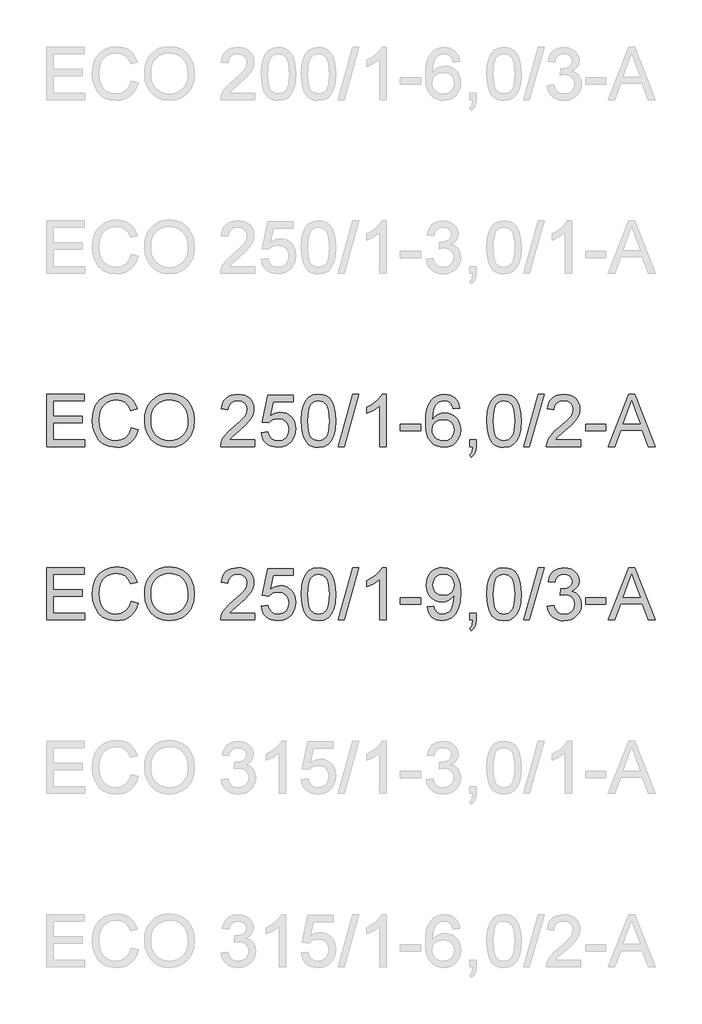
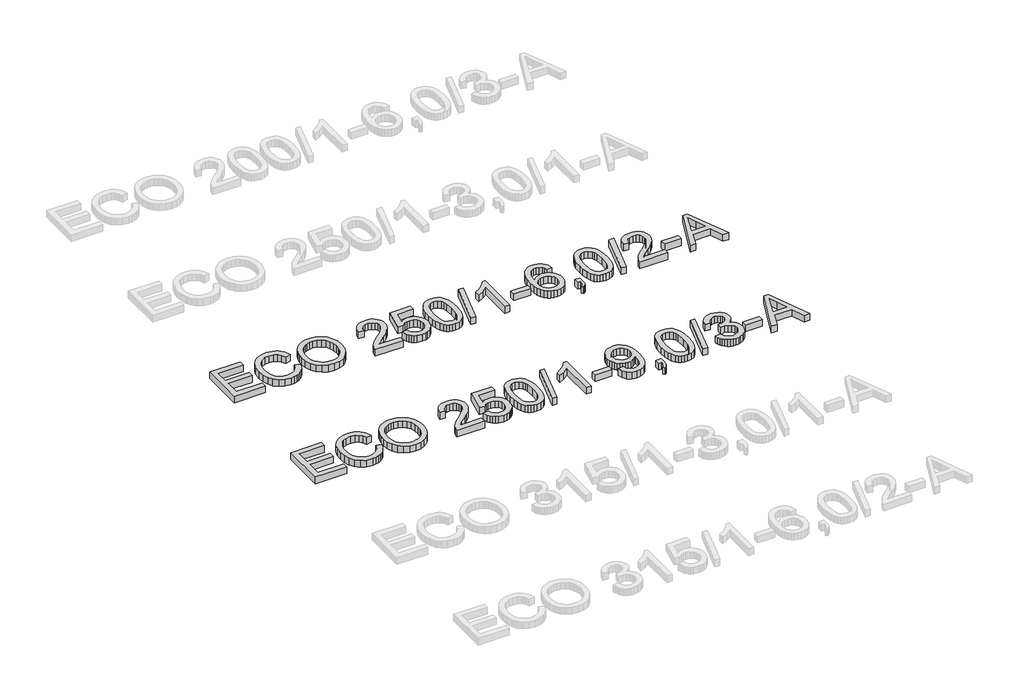
# One storey, part 30 of 74: 2 proxies.
"""IFC4 building model written with IfcOpenShell, lengths in millimetres."""

from ifc_helpers import new_model, si_unit, origin, origin_with_axes, place, context, project, spatial, polyline, outline, extrude, element, save

model = new_model("IFC4")

# Units and contexts
model_context = context("Model", 3, world=origin())
ifc_project = project(units=[si_unit("LENGTHUNIT", "METRE", prefix="MILLI")], contexts=[model_context])

# Site, building, storey
site = spatial("IfcSite", under=ifc_project)
building = spatial("IfcBuilding", under=site)
storey = spatial("IfcBuildingStorey", under=building, Elevation=0.0)

# Proxies
placement = place(None, origin())
element("IfcBuildingElementProxy", 1, Name="Generic Models", at=placement, inside=storey, context=model_context, shape_type="SweptSolid", body=[
    extrude(outline(polyline([(11765.719536, -11906.2904473), (11765.719536, -11604.9215169), (11982.3284547, -11604.9215169), (11982.3284547, -11642.5926332), (11803.3906523, -11642.5926332), (11803.3906523, -11732.0615344), (11972.9106757, -11732.0615344), (11972.9106757, -11769.7326507), (11803.3906523, -11769.7326507), (11803.3906523, -11868.619331), (11987.0373443, -11868.619331), (11987.0373443, -11906.2904473), (11765.719536, -11906.2904473)])), origin_with_axes(), (0.0, 0.0, 1.0), 50.0),
    extrude(outline(polyline([(12255.444048, -11799.1632103), (12293.1151643, -11808.875295), (12285.6609553, -11832.3024803), (12275.73274, -11852.7728141), (12263.3305182, -11870.2862963), (12248.4542901, -11884.842927), (12231.4397478, -11896.2863563), (12212.6225837, -11904.4602344), (12192.0027979, -11909.3645613), (12169.5803903, -11910.9993369), (12125.8852063, -11906.051324), (12091.1847371, -11891.2072855), (12064.5868689, -11866.9822562), (12045.1994877, -11833.8912707), (12033.3628845, -11794.9877497), (12029.4173501, -11753.3251137), (12033.8779193, -11709.3816094), (12047.2596269, -11671.4345816), (12068.8634971, -11640.6888439), (12097.990554, -11618.3492097), (12132.5346734, -11604.7467729), (12170.3897307, -11600.2126274), (12211.6936817, -11606.0803452), (12229.6624179, -11613.4149925), (12245.8423279, -11623.6834986), (12259.9666972, -11636.6145508), (12271.7688115, -11651.9368359), (12288.4062747, -11689.755105), (12250.7351584, -11698.7314257), (12237.6753476, -11671.2598377), (12219.8330708, -11652.4150825), (12196.9875989, -11641.5165784), (12168.9182027, -11637.8837437), (12136.5629812, -11641.9120515), (12109.9835071, -11653.996975), (12089.8143767, -11672.8693214), (12076.6901865, -11697.2598977), (12069.4888964, -11724.8326532), (12067.0884664, -11753.2515373), (12069.9303548, -11788.0531741), (12078.4560201, -11818.1459213), (12092.9873589, -11842.3801477), (12113.846268, -11859.6062222), (12138.8530466, -11869.897721), (12165.8279939, -11873.3282206), (12197.2727075, -11868.6561192), (12223.4751026, -11854.6398152), (12243.2579569, -11831.4264613), (12255.444048, -11799.1632103)])), origin_with_axes(), (0.0, 0.0, 1.0), 50.0),
    extrude(outline(polyline([(12330.7862806, -11759.5791077), (12333.2970752, -11724.2302465), (12340.829459, -11692.9372842), (12353.3834321, -11665.700221), (12370.9589944, -11642.5190568), (12392.5030838, -11624.0099939), (12416.9626379, -11610.7892347), (12444.3376569, -11602.8567792), (12474.6281407, -11600.2126274), (12514.1570611, -11605.1790343), (12549.6024913, -11620.0782551), (12579.0330509, -11643.8618261), (12600.5173594, -11675.4812836), (12613.6507467, -11713.4099173), (12618.0285424, -11756.1210169), (12613.4208204, -11799.4023336), (12599.5976544, -11837.8643962), (12577.3223996, -11869.539036), (12547.3584111, -11892.4580843), (12512.2164835, -11906.3640237), (12474.4074115, -11910.9993369), (12434.2714858, -11905.8765801), (12398.6237205, -11890.5083097), (12369.2667373, -11866.2832804), (12348.0031579, -11834.5902465), (12335.0904999, -11798.1239437), (12330.7862806, -11759.5791077)]), holes=[polyline([(12368.4573969, -11759.9469897), (12370.3404928, -11784.9215786), (12375.9897807, -11807.0910673), (12385.4052605, -11826.4554559), (12398.5869323, -11843.0147442), (12414.6104924, -11856.2768901), (12432.5516375, -11865.7498515), (12452.4103674, -11871.4336283), (12474.1866823, -11873.3282206), (12496.3354777, -11871.4152342), (12516.4287324, -11865.6762751), (12534.4664465, -11856.1113432), (12550.4486199, -11842.7204386), (12563.5337226, -11825.8116624), (12572.8802245, -11805.6931158), (12578.4881257, -11782.3647987), (12580.3574261, -11755.8267113), (12577.1568527, -11722.4782085), (12567.5551327, -11693.6546541), (12551.8005862, -11670.0826153), (12530.1415338, -11652.4886589), (12504.0127151, -11641.5349725), (12474.8488699, -11637.8837437), (12453.8290124, -11639.6426794), (12434.3266681, -11644.9194868), (12416.3418371, -11653.7141658), (12399.8745193, -11666.0267163), (12386.1295282, -11682.4503481), (12376.3116775, -11703.5782709), (12370.420967, -11729.4104848), (12368.4573969, -11759.9469897)])]), origin_with_axes(), (0.0, 0.0, 1.0), 50.0),
    extrude(outline(polyline([(12966.4863682, -11868.619331), (12966.4863682, -11906.2904473), (12768.7130076, -11906.2904473), (12772.7597096, -11880.3179785), (12782.04873, -11860.0200894), (12795.6419697, -11840.3292056), (12815.3052623, -11819.7186168), (12842.8044415, -11796.6616128), (12883.4554019, -11760.553995), (12907.8459782, -11733.9009444), (12920.0412663, -11712.2694831), (12924.1063624, -11691.226633), (12920.2711926, -11672.3634837), (12908.7656832, -11656.6825136), (12891.0797563, -11646.1151033), (12868.7033339, -11642.5926332), (12845.2048715, -11646.0323299), (12826.9487275, -11656.3514198), (12815.1673066, -11672.7405627), (12811.0930135, -11694.3904181), (12773.4218972, -11689.6815286), (12782.5545677, -11653.242817), (12791.1009263, -11638.7068796), (12802.3006338, -11626.6265546), (12815.8961728, -11617.1306006), (12831.6300259, -11610.3477763), (12869.5126743, -11604.9215169), (12889.7024981, -11606.4298331), (12907.6712343, -11610.9547816), (12923.4188829, -11618.4963625), (12936.945444, -11629.0545758), (12947.8094592, -11641.8476722), (12955.56947, -11656.0939024), (12960.2254765, -11671.7932666), (12961.7774787, -11688.9457646), (12960.1036156, -11706.9627853), (12955.0820264, -11724.6671063), (12946.1700851, -11742.67493), (12932.8251657, -11761.6024586), (12911.5523893, -11784.1996102), (12878.856877, -11813.2163026), (12835.520378, -11849.4526791), (12818.5242298, -11868.619331), (12966.4863682, -11868.619331)])), origin_with_axes(), (0.0, 0.0, 1.0), 50.0),
    extrude(outline(polyline([(13004.1574845, -11826.2393252), (13041.8286008, -11821.5304357), (13048.7447824, -11844.1459813), (13060.8113118, -11860.3419861), (13077.9730069, -11870.081662), (13100.1746853, -11873.3282206), (13127.1772237, -11868.8124691), (13147.4107335, -11855.2652146), (13160.04748, -11834.2499556), (13164.2597288, -11807.3301906), (13160.3141944, -11781.9831212), (13148.4775913, -11762.59574), (13128.6579488, -11750.2900873), (13100.7632965, -11746.188203), (13082.4887584, -11747.8252779), (13067.6907051, -11752.7365026), (13046.5374904, -11769.7326507), (13008.8663741, -11765.0237612), (13041.8286008, -11609.6304064), (13187.8041765, -11609.6304064), (13187.8041765, -11647.3015227), (13072.28923, -11647.3015227), (13056.1759987, -11730.2957008), (13083.0865666, -11713.9617403), (13111.2847215, -11708.5170867), (13129.6305368, -11710.2047454), (13146.4818314, -11715.2677213), (13161.8386055, -11723.7060146), (13175.7008589, -11735.5196252), (13187.1764779, -11749.9865846), (13195.3733486, -11766.3849246), (13200.291471, -11784.714645), (13201.9308451, -11804.9757459), (13196.0263391, -11842.6468622), (13188.6457066, -11859.4406753), (13178.3128211, -11874.873325), (13162.6594422, -11890.6784552), (13144.3941011, -11901.9678339), (13123.5167979, -11908.7414611), (13100.0275325, -11910.9993369), (13063.0278008, -11905.1959984), (13047.34913, -11897.9418253), (13033.551256, -11887.785983), (13022.0710384, -11875.2343092), (13013.3453374, -11860.7926416), (13004.1574845, -11826.2393252)])), origin_with_axes(), (0.0, 0.0, 1.0), 50.0),
    extrude(outline(polyline([(13234.8930719, -11758.0340033), (13237.6613839, -11709.7954767), (13245.96632, -11671.324217), (13259.7251066, -11642.0316132), (13278.8549703, -11621.3290539), (13303.493867, -11609.0234011), (13333.7797522, -11604.9215169), (13356.9931061, -11607.3495381), (13377.7784388, -11614.6336016), (13395.1608631, -11626.4885989), (13408.1654916, -11642.6294214), (13417.9879409, -11662.9181134), (13425.8238274, -11687.2167192), (13430.9557812, -11718.0728216), (13432.6664325, -11758.0340033), (13429.9257117, -11805.9966184), (13421.7035491, -11844.3759076), (13408.0275359, -11873.6961026), (13388.9252633, -11894.4814353), (13364.2311844, -11906.8698615), (13333.7797522, -11910.9993369), (13313.0312077, -11909.2059122), (13294.6371079, -11903.825638), (13278.5974529, -11894.8585143), (13264.9122427, -11882.3045413), (13251.7788555, -11859.6108207), (13242.3978646, -11831.3344908), (13236.7692701, -11797.4755517), (13234.8930719, -11758.0340033)]), holes=[polyline([(13272.5641882, -11757.9604269), (13276.9787722, -11817.2170193), (13282.4970021, -11837.4850179), (13290.222524, -11851.5128183), (13309.9409989, -11867.87437), (13333.7797522, -11873.3282206), (13357.6185055, -11867.8559759), (13377.3369805, -11851.4392419), (13385.0625023, -11837.3884489), (13390.5807323, -11817.1250488), (13394.9953162, -11757.9604269), (13390.7278851, -11700.0374067), (13385.3935961, -11679.8360867), (13377.9255916, -11665.4748933), (13358.2439049, -11648.3131982), (13333.3382938, -11642.5926332), (13309.7570579, -11647.6326165), (13290.8111352, -11662.7525665), (13282.8280959, -11678.3875513), (13277.125925, -11699.4671897), (13272.5641882, -11757.9604269)])]), origin_with_axes(), (0.0, 0.0, 1.0), 50.0),
    extrude(outline(polyline([(13446.7931011, -11906.2904473), (13531.5531128, -11604.9215169), (13565.5454092, -11604.9215169), (13480.7853975, -11906.2904473), (13446.7931011, -11906.2904473)])), origin_with_axes(), (0.0, 0.0, 1.0), 50.0),
    extrude(outline(polyline([(13724.6175839, -11906.2904473), (13686.9464676, -11906.2904473), (13686.9464676, -11671.4345816), (13651.2619141, -11696.8552275), (13611.604235, -11715.8747266), (13611.604235, -11680.2637495), (13641.1911444, -11664.1689122), (13666.8233225, -11645.0206544), (13687.029241, -11624.6583859), (13700.3373722, -11604.9215169), (13724.6175839, -11604.9215169), (13724.6175839, -11906.2904473)])), origin_with_axes(), (0.0, 0.0, 1.0), 50.0),
    extrude(outline(polyline([(13804.668706, -11816.8215461), (13804.668706, -11779.1504298), (13922.3909445, -11779.1504298), (13922.3909445, -11816.8215461), (13804.668706, -11816.8215461)])), origin_with_axes(), (0.0, 0.0, 1.0), 50.0),
    extrude(outline(polyline([(14148.4176423, -11684.972639), (14110.746526, -11689.6815286), (14104.6764731, -11671.0115173), (14096.4727046, -11658.2644062), (14079.3845859, -11646.5105764), (14058.7280119, -11642.5926332), (14041.2168289, -11644.8735016), (14024.7357156, -11651.7161067), (14010.5814558, -11666.1278838), (13999.0207641, -11685.9659204), (13991.2124688, -11714.0261196), (13988.315398, -11753.1043845), (14003.426151, -11735.4736399), (14021.5351422, -11723.0484255), (14041.6306962, -11715.6815886), (14062.7011375, -11713.2259763), (14080.8009316, -11714.9044379), (14097.5027742, -11719.9398227), (14112.8066652, -11728.3321307), (14126.7126046, -11740.0813619), (14138.2686978, -11754.4885406), (14146.5230501, -11770.8546908), (14151.4756614, -11789.1798127), (14153.1265319, -11809.4639062), (14150.017929, -11836.4388535), (14140.6921204, -11861.4456321), (14125.9216583, -11882.6540292), (14106.4790949, -11898.2338316), (14083.2473469, -11907.8079606), (14057.1093311, -11910.9993369), (14034.6524346, -11908.8840154), (14014.3706403, -11902.538051), (13996.2639484, -11891.9614436), (13980.3323587, -11877.1541933), (13967.3438251, -11857.4909007), (13958.066301, -11832.3461663), (13952.4997865, -11801.7199902), (13950.6442817, -11765.6123724), (13952.7044209, -11725.1315573), (13958.8848384, -11690.5828395), (13969.1855343, -11661.9662188), (13983.6065085, -11639.2816952), (13999.2368948, -11624.2491172), (14017.3596816, -11613.5115615), (14037.9748689, -11607.069028), (14061.0824567, -11604.9215169), (14094.136654, -11610.2374117), (14120.6057635, -11626.1850962), (14139.1470161, -11651.5137716), (14148.4176423, -11684.972639)]), holes=[polyline([(13988.315398, -11808.875295), (13990.4950989, -11825.5679405), (13997.0342013, -11841.506428), (14007.1877444, -11855.2100323), (14020.210767, -11865.1980285), (14035.9285253, -11871.2956725), (14054.1662752, -11873.3282206), (14079.025901, -11869.1159717), (14098.569632, -11856.4792252), (14111.2339697, -11836.6135975), (14115.4554156, -11810.714705), (14111.289152, -11785.8550792), (14098.7903612, -11766.8999594), (14078.9155364, -11754.8978093), (14052.6211708, -11750.8970926), (14027.7983332, -11754.8978093), (14007.0405916, -11766.8999594), (13992.9966964, -11785.3952267), (13988.315398, -11808.875295)])]), origin_with_axes(), (0.0, 0.0, 1.0), 50.0),
    extrude(outline(polyline([(14204.9243168, -11906.2904473), (14204.9243168, -11868.619331), (14242.5954331, -11868.619331), (14242.5954331, -11906.2904473), (14240.9031759, -11927.8391352), (14235.8264044, -11944.8076922), (14227.0708129, -11957.8215178), (14214.3420959, -11967.5060113), (14204.9243168, -11953.3793427), (14213.0912971, -11946.5551317), (14218.7566798, -11937.1189585), (14223.6862986, -11906.2904473), (14204.9243168, -11906.2904473)])), origin_with_axes(), (0.0, 0.0, 1.0), 50.0),
    extrude(outline(polyline([(14303.8109971, -11758.0340033), (14306.5793091, -11709.7954767), (14314.8842452, -11671.324217), (14328.6430318, -11642.0316132), (14347.7728955, -11621.3290539), (14372.4117922, -11609.0234011), (14402.6976774, -11604.9215169), (14425.9110313, -11607.3495381), (14446.696364, -11614.6336016), (14464.0787883, -11626.4885989), (14477.0834168, -11642.6294214), (14486.9058661, -11662.9181134), (14494.7417526, -11687.2167192), (14499.8737064, -11718.0728216), (14501.5843577, -11758.0340033), (14498.8436368, -11805.9966184), (14490.6214743, -11844.3759076), (14476.9454611, -11873.6961026), (14457.8431885, -11894.4814353), (14433.1491096, -11906.8698615), (14402.6976774, -11910.9993369), (14381.9491329, -11909.2059122), (14363.5550331, -11903.825638), (14347.5153781, -11894.8585143), (14333.8301679, -11882.3045413), (14320.6967807, -11859.6108207), (14311.3157898, -11831.3344908), (14305.6871953, -11797.4755517), (14303.8109971, -11758.0340033)]), holes=[polyline([(14341.4821134, -11757.9604269), (14345.8966974, -11817.2170193), (14351.4149273, -11837.4850179), (14359.1404492, -11851.5128183), (14378.8589241, -11867.87437), (14402.6976774, -11873.3282206), (14426.5364307, -11867.8559759), (14446.2549056, -11851.4392419), (14453.9804275, -11837.3884489), (14459.4986575, -11817.1250488), (14463.9132414, -11757.9604269), (14459.6458103, -11700.0374067), (14454.3115213, -11679.8360867), (14446.8435168, -11665.4748933), (14427.1618301, -11648.3131982), (14402.256219, -11642.5926332), (14378.6749831, -11647.6326165), (14359.7290604, -11662.7525665), (14351.7460211, -11678.3875513), (14346.0438501, -11699.4671897), (14341.4821134, -11757.9604269)])]), origin_with_axes(), (0.0, 0.0, 1.0), 50.0),
    extrude(outline(polyline([(14515.7110263, -11906.2904473), (14600.471038, -11604.9215169), (14634.4633344, -11604.9215169), (14549.7033227, -11906.2904473), (14515.7110263, -11906.2904473)])), origin_with_axes(), (0.0, 0.0, 1.0), 50.0),
    extrude(outline(polyline([(14845.333294, -11868.619331), (14845.333294, -11906.2904473), (14647.5599334, -11906.2904473), (14651.6066353, -11880.3179785), (14660.8956557, -11860.0200894), (14674.4888954, -11840.3292056), (14694.1521881, -11819.7186168), (14721.6513672, -11796.6616128), (14762.3023277, -11760.553995), (14786.692904, -11733.9009444), (14798.8881921, -11712.2694831), (14802.9532882, -11691.226633), (14799.1181184, -11672.3634837), (14787.612609, -11656.6825136), (14769.926682, -11646.1151033), (14747.5502597, -11642.5926332), (14724.0517972, -11646.0323299), (14705.7956532, -11656.3514198), (14694.0142323, -11672.7405627), (14689.9399392, -11694.3904181), (14652.2688229, -11689.6815286), (14661.4014935, -11653.242817), (14669.9478521, -11638.7068796), (14681.1475596, -11626.6265546), (14694.7430985, -11617.1306006), (14710.4769516, -11610.3477763), (14748.3596001, -11604.9215169), (14768.5494238, -11606.4298331), (14786.51816, -11610.9547816), (14802.2658087, -11618.4963625), (14815.7923698, -11629.0545758), (14826.656385, -11641.8476722), (14834.4163958, -11656.0939024), (14839.0724023, -11671.7932666), (14840.6244045, -11688.9457646), (14838.9505414, -11706.9627853), (14833.9289522, -11724.6671063), (14825.0170108, -11742.67493), (14811.6720914, -11761.6024586), (14790.3993151, -11784.1996102), (14757.7038028, -11813.2163026), (14714.3673037, -11849.4526791), (14697.3711555, -11868.619331), (14845.333294, -11868.619331)])), origin_with_axes(), (0.0, 0.0, 1.0), 50.0),
    extrude(outline(polyline([(14873.5866312, -11816.8215461), (14873.5866312, -11779.1504298), (14991.3088697, -11779.1504298), (14991.3088697, -11816.8215461), (14873.5866312, -11816.8215461)])), origin_with_axes(), (0.0, 0.0, 1.0), 50.0),
    extrude(outline(polyline([(15003.3018227, -11906.2904473), (15123.5992352, -11604.9215169), (15155.6785451, -11604.9215169), (15275.9759576, -11906.2904473), (15236.1711257, -11906.2904473), (15201.6637945, -11812.1126566), (15077.5404094, -11812.1126566), (15043.1066546, -11906.2904473), (15003.3018227, -11906.2904473)]), holes=[polyline([(15091.3727724, -11774.4415403), (15187.9050079, -11774.4415403), (15160.7553167, -11700.3501064), (15139.6388901, -11642.5926332), (15120.8769084, -11693.8753833), (15091.3727724, -11774.4415403)])]), origin_with_axes(), (0.0, 0.0, 1.0), 50.0),
])
element("IfcBuildingElementProxy", 2, Name="Generic Models", at=placement, inside=storey, context=model_context, shape_type="SweptSolid", body=[
    extrude(outline(polyline([(11765.719536, -12906.2904473), (11765.719536, -12604.9215169), (11982.3284547, -12604.9215169), (11982.3284547, -12642.5926332), (11803.3906523, -12642.5926332), (11803.3906523, -12732.0615344), (11972.9106757, -12732.0615344), (11972.9106757, -12769.7326507), (11803.3906523, -12769.7326507), (11803.3906523, -12868.619331), (11987.0373443, -12868.619331), (11987.0373443, -12906.2904473), (11765.719536, -12906.2904473)])), origin_with_axes(), (0.0, 0.0, 1.0), 50.0),
    extrude(outline(polyline([(12255.444048, -12799.1632103), (12293.1151643, -12808.875295), (12285.6609553, -12832.3024803), (12275.73274, -12852.7728141), (12263.3305182, -12870.2862963), (12248.4542901, -12884.842927), (12231.4397478, -12896.2863563), (12212.6225837, -12904.4602344), (12192.0027979, -12909.3645613), (12169.5803903, -12910.9993369), (12125.8852063, -12906.051324), (12091.1847371, -12891.2072855), (12064.5868689, -12866.9822562), (12045.1994877, -12833.8912707), (12033.3628845, -12794.9877497), (12029.4173501, -12753.3251137), (12033.8779193, -12709.3816094), (12047.2596269, -12671.4345816), (12068.8634971, -12640.6888439), (12097.990554, -12618.3492097), (12132.5346734, -12604.7467729), (12170.3897307, -12600.2126274), (12211.6936817, -12606.0803452), (12229.6624179, -12613.4149925), (12245.8423279, -12623.6834986), (12259.9666972, -12636.6145508), (12271.7688115, -12651.9368359), (12288.4062747, -12689.755105), (12250.7351584, -12698.7314257), (12237.6753476, -12671.2598377), (12219.8330708, -12652.4150825), (12196.9875989, -12641.5165784), (12168.9182027, -12637.8837437), (12136.5629812, -12641.9120515), (12109.9835071, -12653.996975), (12089.8143767, -12672.8693214), (12076.6901865, -12697.2598977), (12069.4888964, -12724.8326532), (12067.0884664, -12753.2515373), (12069.9303548, -12788.0531741), (12078.4560201, -12818.1459213), (12092.9873589, -12842.3801477), (12113.846268, -12859.6062222), (12138.8530466, -12869.897721), (12165.8279939, -12873.3282206), (12197.2727075, -12868.6561192), (12223.4751026, -12854.6398152), (12243.2579569, -12831.4264613), (12255.444048, -12799.1632103)])), origin_with_axes(), (0.0, 0.0, 1.0), 50.0),
    extrude(outline(polyline([(12330.7862806, -12759.5791077), (12333.2970752, -12724.2302465), (12340.829459, -12692.9372842), (12353.3834321, -12665.700221), (12370.9589944, -12642.5190568), (12392.5030838, -12624.0099939), (12416.9626379, -12610.7892347), (12444.3376569, -12602.8567792), (12474.6281407, -12600.2126274), (12514.1570611, -12605.1790343), (12549.6024913, -12620.0782551), (12579.0330509, -12643.8618261), (12600.5173594, -12675.4812836), (12613.6507467, -12713.4099173), (12618.0285424, -12756.1210169), (12613.4208204, -12799.4023336), (12599.5976544, -12837.8643962), (12577.3223996, -12869.539036), (12547.3584111, -12892.4580843), (12512.2164835, -12906.3640237), (12474.4074115, -12910.9993369), (12434.2714858, -12905.8765801), (12398.6237205, -12890.5083097), (12369.2667373, -12866.2832804), (12348.0031579, -12834.5902465), (12335.0904999, -12798.1239437), (12330.7862806, -12759.5791077)]), holes=[polyline([(12368.4573969, -12759.9469897), (12370.3404928, -12784.9215786), (12375.9897807, -12807.0910673), (12385.4052605, -12826.4554559), (12398.5869323, -12843.0147442), (12414.6104924, -12856.2768901), (12432.5516375, -12865.7498515), (12452.4103674, -12871.4336283), (12474.1866823, -12873.3282206), (12496.3354777, -12871.4152342), (12516.4287324, -12865.6762751), (12534.4664465, -12856.1113432), (12550.4486199, -12842.7204386), (12563.5337226, -12825.8116624), (12572.8802245, -12805.6931158), (12578.4881257, -12782.3647987), (12580.3574261, -12755.8267113), (12577.1568527, -12722.4782085), (12567.5551327, -12693.6546541), (12551.8005862, -12670.0826153), (12530.1415338, -12652.4886589), (12504.0127151, -12641.5349725), (12474.8488699, -12637.8837437), (12453.8290124, -12639.6426794), (12434.3266681, -12644.9194868), (12416.3418371, -12653.7141658), (12399.8745193, -12666.0267163), (12386.1295282, -12682.4503481), (12376.3116775, -12703.5782709), (12370.420967, -12729.4104848), (12368.4573969, -12759.9469897)])]), origin_with_axes(), (0.0, 0.0, 1.0), 50.0),
    extrude(outline(polyline([(12966.4863682, -12868.619331), (12966.4863682, -12906.2904473), (12768.7130076, -12906.2904473), (12772.7597096, -12880.3179785), (12782.04873, -12860.0200894), (12795.6419697, -12840.3292056), (12815.3052623, -12819.7186168), (12842.8044415, -12796.6616128), (12883.4554019, -12760.553995), (12907.8459782, -12733.9009444), (12920.0412663, -12712.2694831), (12924.1063624, -12691.226633), (12920.2711926, -12672.3634837), (12908.7656832, -12656.6825136), (12891.0797563, -12646.1151033), (12868.7033339, -12642.5926332), (12845.2048715, -12646.0323299), (12826.9487275, -12656.3514198), (12815.1673066, -12672.7405627), (12811.0930135, -12694.3904181), (12773.4218972, -12689.6815286), (12782.5545677, -12653.242817), (12791.1009263, -12638.7068796), (12802.3006338, -12626.6265546), (12815.8961728, -12617.1306006), (12831.6300259, -12610.3477763), (12869.5126743, -12604.9215169), (12889.7024981, -12606.4298331), (12907.6712343, -12610.9547816), (12923.4188829, -12618.4963625), (12936.945444, -12629.0545758), (12947.8094592, -12641.8476722), (12955.56947, -12656.0939024), (12960.2254765, -12671.7932666), (12961.7774787, -12688.9457646), (12960.1036156, -12706.9627853), (12955.0820264, -12724.6671063), (12946.1700851, -12742.67493), (12932.8251657, -12761.6024586), (12911.5523893, -12784.1996102), (12878.856877, -12813.2163026), (12835.520378, -12849.4526791), (12818.5242298, -12868.619331), (12966.4863682, -12868.619331)])), origin_with_axes(), (0.0, 0.0, 1.0), 50.0),
    extrude(outline(polyline([(13004.1574845, -12826.2393252), (13041.8286008, -12821.5304357), (13048.7447824, -12844.1459813), (13060.8113118, -12860.3419861), (13077.9730069, -12870.081662), (13100.1746853, -12873.3282206), (13127.1772237, -12868.8124691), (13147.4107335, -12855.2652146), (13160.04748, -12834.2499556), (13164.2597288, -12807.3301906), (13160.3141944, -12781.9831212), (13148.4775913, -12762.59574), (13128.6579488, -12750.2900873), (13100.7632965, -12746.188203), (13082.4887584, -12747.8252779), (13067.6907051, -12752.7365026), (13046.5374904, -12769.7326507), (13008.8663741, -12765.0237612), (13041.8286008, -12609.6304064), (13187.8041765, -12609.6304064), (13187.8041765, -12647.3015227), (13072.28923, -12647.3015227), (13056.1759987, -12730.2957008), (13083.0865666, -12713.9617403), (13111.2847215, -12708.5170867), (13129.6305368, -12710.2047454), (13146.4818314, -12715.2677213), (13161.8386055, -12723.7060146), (13175.7008589, -12735.5196252), (13187.1764779, -12749.9865846), (13195.3733486, -12766.3849246), (13200.291471, -12784.714645), (13201.9308451, -12804.9757459), (13196.0263391, -12842.6468622), (13188.6457066, -12859.4406753), (13178.3128211, -12874.873325), (13162.6594422, -12890.6784552), (13144.3941011, -12901.9678339), (13123.5167979, -12908.7414611), (13100.0275325, -12910.9993369), (13063.0278008, -12905.1959984), (13047.34913, -12897.9418253), (13033.551256, -12887.785983), (13022.0710384, -12875.2343092), (13013.3453374, -12860.7926416), (13004.1574845, -12826.2393252)])), origin_with_axes(), (0.0, 0.0, 1.0), 50.0),
    extrude(outline(polyline([(13234.8930719, -12758.0340033), (13237.6613839, -12709.7954767), (13245.96632, -12671.324217), (13259.7251066, -12642.0316132), (13278.8549703, -12621.3290539), (13303.493867, -12609.0234011), (13333.7797522, -12604.9215169), (13356.9931061, -12607.3495381), (13377.7784388, -12614.6336016), (13395.1608631, -12626.4885989), (13408.1654916, -12642.6294214), (13417.9879409, -12662.9181134), (13425.8238274, -12687.2167192), (13430.9557812, -12718.0728216), (13432.6664325, -12758.0340033), (13429.9257117, -12805.9966184), (13421.7035491, -12844.3759076), (13408.0275359, -12873.6961026), (13388.9252633, -12894.4814353), (13364.2311844, -12906.8698615), (13333.7797522, -12910.9993369), (13313.0312077, -12909.2059122), (13294.6371079, -12903.825638), (13278.5974529, -12894.8585143), (13264.9122427, -12882.3045413), (13251.7788555, -12859.6108207), (13242.3978646, -12831.3344908), (13236.7692701, -12797.4755517), (13234.8930719, -12758.0340033)]), holes=[polyline([(13272.5641882, -12757.9604269), (13276.9787722, -12817.2170193), (13282.4970021, -12837.4850179), (13290.222524, -12851.5128183), (13309.9409989, -12867.87437), (13333.7797522, -12873.3282206), (13357.6185055, -12867.8559759), (13377.3369805, -12851.4392419), (13385.0625023, -12837.3884489), (13390.5807323, -12817.1250488), (13394.9953162, -12757.9604269), (13390.7278851, -12700.0374067), (13385.3935961, -12679.8360867), (13377.9255916, -12665.4748933), (13358.2439049, -12648.3131982), (13333.3382938, -12642.5926332), (13309.7570579, -12647.6326165), (13290.8111352, -12662.7525665), (13282.8280959, -12678.3875513), (13277.125925, -12699.4671897), (13272.5641882, -12757.9604269)])]), origin_with_axes(), (0.0, 0.0, 1.0), 50.0),
    extrude(outline(polyline([(13446.7931011, -12906.2904473), (13531.5531128, -12604.9215169), (13565.5454092, -12604.9215169), (13480.7853975, -12906.2904473), (13446.7931011, -12906.2904473)])), origin_with_axes(), (0.0, 0.0, 1.0), 50.0),
    extrude(outline(polyline([(13724.6175839, -12906.2904473), (13686.9464676, -12906.2904473), (13686.9464676, -12671.4345816), (13651.2619141, -12696.8552275), (13611.604235, -12715.8747266), (13611.604235, -12680.2637495), (13641.1911444, -12664.1689122), (13666.8233225, -12645.0206544), (13687.029241, -12624.6583859), (13700.3373722, -12604.9215169), (13724.6175839, -12604.9215169), (13724.6175839, -12906.2904473)])), origin_with_axes(), (0.0, 0.0, 1.0), 50.0),
    extrude(outline(polyline([(13804.668706, -12816.8215461), (13804.668706, -12779.1504298), (13922.3909445, -12779.1504298), (13922.3909445, -12816.8215461), (13804.668706, -12816.8215461)])), origin_with_axes(), (0.0, 0.0, 1.0), 50.0),
    extrude(outline(polyline([(13960.0620608, -12830.9482147), (13997.7331771, -12826.2393252), (14004.171112, -12847.6224662), (14014.6557489, -12862.1813961), (14028.9295703, -12870.5415145), (14046.7350589, -12873.3282206), (14062.7103345, -12871.5347958), (14077.2324763, -12866.1545217), (14089.2990057, -12857.7760092), (14097.9074444, -12846.9878697), (14110.2314912, -12814.2463721), (14115.6761448, -12770.5419911), (14115.4554156, -12763.1843512), (14102.4048018, -12779.1136416), (14085.3258802, -12791.731994), (14065.4510554, -12799.9541566), (14044.0127321, -12802.6948775), (14026.1175723, -12801.0210144), (14009.6617508, -12795.9994252), (13994.6452676, -12787.6301098), (13981.0681227, -12775.9130682), (13969.8178315, -12761.4599044), (13961.7819091, -12744.882222), (13956.9603557, -12726.180021), (13955.3531713, -12705.3533016), (13957.0385307, -12683.8322049), (13962.0946088, -12664.5184001), (13970.5214058, -12647.4118873), (13982.3189215, -12632.5126665), (13996.654823, -12620.4415386), (14012.6967773, -12611.8193043), (14030.4447843, -12606.6459637), (14049.898844, -12604.9215169), (14077.9958314, -12608.8578542), (14103.5728271, -12620.6668663), (14124.9651651, -12639.7599418), (14140.5081794, -12665.5484697), (14149.9719438, -12701.196235), (14153.1265319, -12749.867023), (14149.9811408, -12801.4716699), (14140.5449676, -12841.3592752), (14124.9007858, -12871.3324607), (14103.1313687, -12893.1938483), (14076.1748155, -12906.5479647), (14044.9692253, -12910.9993369), (14012.7611566, -12905.7478214), (13987.0645993, -12889.993275), (13969.0935638, -12864.7289789), (13960.0620608, -12830.9482147)]), holes=[polyline([(14115.4554156, -12704.4703848), (14111.3903195, -12678.9393743), (14099.1950314, -12659.2944758), (14080.2675027, -12646.7680938), (14056.0056852, -12642.5926332), (14030.8425567, -12647.0899906), (14010.6826233, -12660.5820628), (13997.4388715, -12681.2294397), (13993.0242876, -12707.1927116), (13997.1997482, -12730.4704448), (14009.7261302, -12748.947318), (14029.3894228, -12761.0046504), (14054.9756156, -12765.0237612), (14079.0442951, -12761.0046504), (14098.4224792, -12748.947318), (14111.1971815, -12729.7898631), (14115.4554156, -12704.4703848)])]), origin_with_axes(), (0.0, 0.0, 1.0), 50.0),
    extrude(outline(polyline([(14204.9243168, -12906.2904473), (14204.9243168, -12868.619331), (14242.5954331, -12868.619331), (14242.5954331, -12906.2904473), (14240.9031759, -12927.8391352), (14235.8264044, -12944.8076922), (14227.0708129, -12957.8215178), (14214.3420959, -12967.5060113), (14204.9243168, -12953.3793427), (14213.0912971, -12946.5551317), (14218.7566798, -12937.1189585), (14223.6862986, -12906.2904473), (14204.9243168, -12906.2904473)])), origin_with_axes(), (0.0, 0.0, 1.0), 50.0),
    extrude(outline(polyline([(14303.8109971, -12758.0340033), (14306.5793091, -12709.7954767), (14314.8842452, -12671.324217), (14328.6430318, -12642.0316132), (14347.7728955, -12621.3290539), (14372.4117922, -12609.0234011), (14402.6976774, -12604.9215169), (14425.9110313, -12607.3495381), (14446.696364, -12614.6336016), (14464.0787883, -12626.4885989), (14477.0834168, -12642.6294214), (14486.9058661, -12662.9181134), (14494.7417526, -12687.2167192), (14499.8737064, -12718.0728216), (14501.5843577, -12758.0340033), (14498.8436368, -12805.9966184), (14490.6214743, -12844.3759076), (14476.9454611, -12873.6961026), (14457.8431885, -12894.4814353), (14433.1491096, -12906.8698615), (14402.6976774, -12910.9993369), (14381.9491329, -12909.2059122), (14363.5550331, -12903.825638), (14347.5153781, -12894.8585143), (14333.8301679, -12882.3045413), (14320.6967807, -12859.6108207), (14311.3157898, -12831.3344908), (14305.6871953, -12797.4755517), (14303.8109971, -12758.0340033)]), holes=[polyline([(14341.4821134, -12757.9604269), (14345.8966974, -12817.2170193), (14351.4149273, -12837.4850179), (14359.1404492, -12851.5128183), (14378.8589241, -12867.87437), (14402.6976774, -12873.3282206), (14426.5364307, -12867.8559759), (14446.2549056, -12851.4392419), (14453.9804275, -12837.3884489), (14459.4986575, -12817.1250488), (14463.9132414, -12757.9604269), (14459.6458103, -12700.0374067), (14454.3115213, -12679.8360867), (14446.8435168, -12665.4748933), (14427.1618301, -12648.3131982), (14402.256219, -12642.5926332), (14378.6749831, -12647.6326165), (14359.7290604, -12662.7525665), (14351.7460211, -12678.3875513), (14346.0438501, -12699.4671897), (14341.4821134, -12757.9604269)])]), origin_with_axes(), (0.0, 0.0, 1.0), 50.0),
    extrude(outline(polyline([(14515.7110263, -12906.2904473), (14600.471038, -12604.9215169), (14634.4633344, -12604.9215169), (14549.7033227, -12906.2904473), (14515.7110263, -12906.2904473)])), origin_with_axes(), (0.0, 0.0, 1.0), 50.0),
    extrude(outline(polyline([(14652.2688229, -12826.2393252), (14689.9399392, -12821.5304357), (14698.373634, -12845.203642), (14710.725272, -12861.1881147), (14727.6018585, -12870.2931941), (14749.6103989, -12873.3282206), (14775.4357149, -12869.1527599), (14795.3749191, -12856.626378), (14808.1220302, -12837.9379726), (14812.3710672, -12815.2764417), (14808.1588184, -12793.7645421), (14795.5220719, -12776.3177384), (14776.3922081, -12764.7570467), (14752.7006076, -12760.9034828), (14726.2866804, -12765.0237612), (14730.4805351, -12727.3526449), (14736.5137998, -12727.7941033), (14759.0833602, -12725.0901706), (14779.2616877, -12716.9783726), (14793.4987209, -12703.2563742), (14798.2443986, -12683.7218403), (14794.804702, -12667.452259), (14784.485612, -12654.2544924), (14768.7402626, -12645.508098), (14749.0217877, -12642.5926332), (14729.2665245, -12645.5356892), (14713.1165049, -12654.364857), (14701.325887, -12669.0801369), (14694.6488288, -12689.6815286), (14656.9777125, -12684.972639), (14668.0693546, -12651.1458896), (14687.8062237, -12625.8907906), (14714.8087621, -12610.1638353), (14747.6974125, -12604.9215169), (14771.3798159, -12607.5058879), (14793.1308389, -12615.259001), (14811.4697563, -12627.4910773), (14824.9158433, -12643.5123382), (14833.165597, -12661.9708173), (14835.9155149, -12681.5145483), (14833.3035528, -12699.724707), (14825.4676663, -12716.2426086), (14812.51822, -12730.3140949), (14794.5655787, -12741.1850079), (14818.1468146, -12750.7131516), (14835.6212093, -12766.9367476), (14846.43694, -12788.9728791), (14850.0421835, -12815.9386293), (14848.2395618, -12835.050099), (14842.8316964, -12852.6532524), (14833.8185876, -12868.7480897), (14821.2002351, -12883.3346108), (14805.8273662, -12895.4379285), (14788.550708, -12904.0831554), (14769.3702605, -12909.2702915), (14748.2860237, -12910.9993369), (14729.2297363, -12909.5232104), (14711.8657062, -12905.0948309), (14696.1939332, -12897.7141983), (14682.2144173, -12887.3813128), (14670.4927773, -12874.7031795), (14661.5946315, -12860.2868038), (14655.5199801, -12844.1321857), (14652.2688229, -12826.2393252)])), origin_with_axes(), (0.0, 0.0, 1.0), 50.0),
    extrude(outline(polyline([(14873.5866312, -12816.8215461), (14873.5866312, -12779.1504298), (14991.3088697, -12779.1504298), (14991.3088697, -12816.8215461), (14873.5866312, -12816.8215461)])), origin_with_axes(), (0.0, 0.0, 1.0), 50.0),
    extrude(outline(polyline([(15003.3018227, -12906.2904473), (15123.5992352, -12604.9215169), (15155.6785451, -12604.9215169), (15275.9759576, -12906.2904473), (15236.1711257, -12906.2904473), (15201.6637945, -12812.1126566), (15077.5404094, -12812.1126566), (15043.1066546, -12906.2904473), (15003.3018227, -12906.2904473)]), holes=[polyline([(15091.3727724, -12774.4415403), (15187.9050079, -12774.4415403), (15160.7553167, -12700.3501064), (15139.6388901, -12642.5926332), (15120.8769084, -12693.8753833), (15091.3727724, -12774.4415403)])]), origin_with_axes(), (0.0, 0.0, 1.0), 50.0),
])

save(model, "model.ifc")
